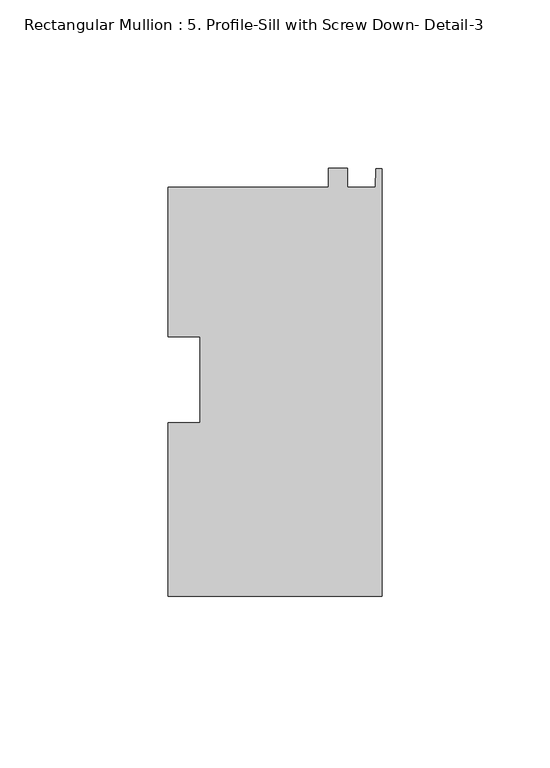
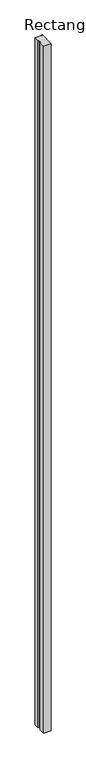
"""IFC4 building model written with IfcOpenShell, lengths in millimetres: member geometry, Rectangular Mullion : 5. Profile-Sill with Screw Down- Detail-3."""

from ifc_helpers import new_model, si_unit, frame, origin, place, context, project, spatial, polyline, outline, extrude, source, transform, mapped, element, save


def rectangular_mullion_5_profile_sill_with_screw_down_detail_3_e4f23757(model_context):
    return source(origin(), model_context, "Body", "SweptSolid", [
        extrude(outline(polyline([(0.0, -64.2391119), (-63.5, -64.2391119), (-63.5, -12.713128), (-53.975, -12.713128), (-53.975, 12.7745703), (-63.5, 12.7745703), (-63.5, 57.1982881), (-15.875, 57.1982881), (-15.875, 62.8348365), (-10.2505609, 62.8348365), (-10.2505609, 57.1963145), (-1.892324, 57.1982655), (-1.778, 62.7544111), (0.0, 62.7544111), (0.0, -64.2391119)])), frame((0.0, 0.0, -6000.75), z_axis=(0.0, 0.0, 1.0), x_axis=(1.0, 0.0, 0.0)), (0.0, 0.0, 1.0), 6000.75),
    ])


if __name__ == "__main__":
    model = new_model("IFC4")
    model_context = context("Model", 3, world=origin())
    ifc_project = project(units=[si_unit("LENGTHUNIT", "METRE", prefix="MILLI")], contexts=[model_context])
    site = spatial("IfcSite", under=ifc_project)
    building = spatial("IfcBuilding", under=site)
    placement = place(None, origin())
    rectangular_mullion_5_profile_sill_with_screw_down_detail_3_shape = rectangular_mullion_5_profile_sill_with_screw_down_detail_3_e4f23757(model_context)
    element("IfcMember", 1, ObjectType="Rectangular Mullion : 5. Profile-Sill with Screw Down- Detail-3", at=placement, inside=building, context=model_context, shape_type="MappedRepresentation", body=[
        mapped(rectangular_mullion_5_profile_sill_with_screw_down_detail_3_shape, transform((0.0, 0.0, 0.0), x_axis=(1.0, 0.0, 0.0), y_axis=(0.0, 1.0, 0.0), z_axis=(0.0, 0.0, 1.0))),
    ])
    save(model, "model.ifc")
